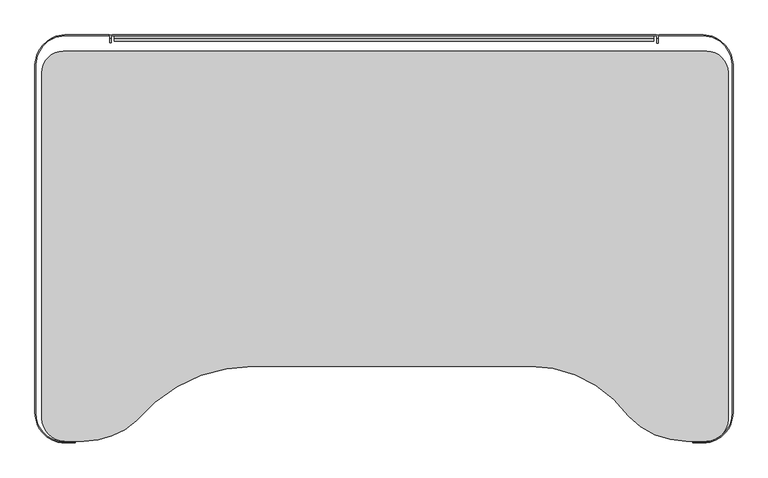
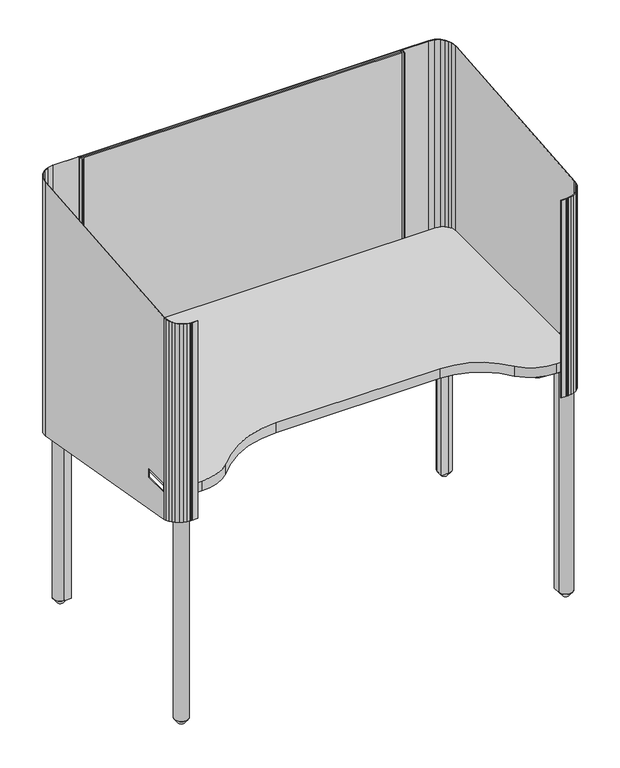
"""IFC4 building model written with IfcOpenShell, lengths in millimetres: furniture geometry."""

from ifc_helpers import new_model, si_unit, point, frame, frame_2d, origin, place, context, project, spatial, polyline, circle_curve, trimmed, segment, composite_curve, outline, extrude, faceted_brep, source, transform, mapped, element, save
from ifc_brep_helpers import plane_surface, revolved_surface, advanced_brep


def furniture_d6dc0621(model_context):
    return source(origin(), model_context, "Body", "SolidModel", [
        advanced_brep(
        [(1027.9696197, 27.1790511, 1268.4192341), (1026.1649204, 26.4496837, 1268.4192341), (1025.5200469, 24.8645493, 1268.4192341), (1024.8751735, 26.4496837, 1268.4192341), (1023.0704742, 27.1790511, 1268.4192341), (116.8701076, 27.1790511, 1268.4192341), (115.0654083, 26.4496837, 1268.4192341), (114.4205349, 24.8645493, 1268.4192341), (113.7756615, 26.4496837, 1268.4192341), (111.9709621, 27.1790511, 1268.4192341), (111.9709621, 25.8943435, 1268.4192341), (112.9205538, 24.6880139, 1268.4192341), (112.9205538, 21.4097865, 1268.4192341), (115.920516, 21.4097865, 1268.4192341), (115.920516, 24.6880139, 1268.4192341), (117.1615523, 25.9290502, 1268.4192341), (1022.7790295, 25.9290502, 1268.4192341), (1024.0200658, 24.6880139, 1268.4192341), (1024.0200658, 21.4097865, 1268.4192341), (1027.020028, 21.4097865, 1268.4192341), (1027.020028, 24.6880139, 1268.4192341), (1028.2610643, 25.9290502, 1268.4192341), (1101.3700434, 25.9290502, 1268.4192341), (1116.7069775, 23.2991213, 1268.4192341), (1120.3598345, 21.4097865, 1268.4192341), (1122.963885, 21.4097865, 1268.4192341), (1116.6925911, 24.5975136, 1268.4192341), (1101.3700434, 27.1790511, 1268.4192341), (1027.9696197, 27.1790511, 500.0527047), (1101.3700434, 27.1790511, 500.0527047), (1116.6925911, 24.5975136, 500.0527047), (1125.612093, 20.0636904, 500.0527047), (1122.9623889, 20.0636904, 500.0527047), (1116.7069775, 23.2991213, 500.0527047), (1101.3700434, 25.9290502, 500.0527047), (1028.2610643, 25.9290502, 500.0527047), (1027.020028, 24.6880139, 500.0527047), (1027.020028, 20.0636904, 500.0527047), (1024.0200658, 20.0636904, 500.0527047), (1024.0200658, 24.6880139, 500.0527047), (1022.7790295, 25.9290502, 500.0527047), (117.1615523, 25.9290502, 500.0527047), (115.920516, 24.6880139, 500.0527047), (115.920516, 20.0636904, 500.0527047), (112.9205538, 20.0636904, 500.0527047), (112.9205538, 24.6880139, 500.0527047), (111.9709621, 25.8943435, 500.0527047), (111.9709621, 27.1790511, 500.0527047), (113.7756615, 26.4496837, 500.0527047), (114.4205349, 24.8645493, 500.0527047), (115.0654083, 26.4496837, 500.0527047), (116.8701076, 27.1790511, 500.0527047), (1023.0704742, 27.1790511, 500.0527047), (1024.8751735, 26.4496837, 500.0527047), (1025.5200469, 24.8645493, 500.0527047), (1026.1649204, 26.4496837, 500.0527047), (1130.3752645, 17.6425488, 1268.0892112), (1130.3752645, 17.6425488, 500.4796175), (1139.1848817, 9.1458314, 1267.3448697), (1139.1848817, 9.1458314, 501.9778186), (1144.819213, 0.6415601, 1266.5998665), (1144.819213, 0.6415601, 503.4773517), (1148.6258459, -6.9446365, 1265.9352898), (1148.6258459, -6.9446365, 504.8150034), (1151.3700438, -22.8209493, 1264.5444706), (1151.3700438, -22.8209493, 507.6144268), (1151.3700438, -603.258937, 1213.6961208), (1151.3700438, -603.258937, 609.9613463), (1151.3700438, -601.6089651, 691.7602951), (1151.3700438, -601.6089651, 716.347772), (1151.3700438, -531.60895, 716.347772), (1151.3700438, -531.60895, 691.7602951), (1150.330963, -612.038234, 1212.9270244), (1150.330963, -612.038234, 611.5093739), (1147.7607052, -621.9111779, 1212.0621208), (1147.7607052, -621.9111779, 613.250241), (1143.7588747, -629.7766135, 1211.3730818), (1143.7588747, -629.7766135, 614.63713), (1138.5620629, -636.6768464, 1210.7685979), (1138.5620629, -636.6768464, 615.8538278), (1130.7436491, -643.7211838, 1210.1514898), (1130.7436491, -643.7211838, 617.095935), (1122.0465203, -648.7835202, 1209.7080119), (1122.0465203, -648.7835202, 617.9885619), (1113.5661717, -651.7486735, 1209.4482543), (1113.5661717, -651.7486735, 618.5113986), (1106.6155558, -652.9830458, 1209.3401191), (1106.6155558, -652.9830458, 618.7290519), (1103.8889258, -653.1954602, 1209.3215109), (1103.8889258, -653.1954602, 618.7665063), (1101.3700434, -653.2589737, 1209.3159469), (1101.3700434, -653.2589737, 618.7777054), (1098.5278304, -653.2589737, 1209.3159469), (1098.5278304, -653.2589737, 618.7777054), (1084.0200441, -653.2589737, 1209.3159469), (1084.0200441, -653.2589737, 618.7777054), (1084.0200441, -652.0089774, 1209.4254508), (1084.0200441, -652.0089774, 618.5572972), (1096.7104123, -652.0089774, 1209.4254508), (1096.7104123, -652.0089774, 618.5572972), (1101.3700434, -652.0089774, 1209.4254508), (1101.3700434, -652.0089774, 618.5572972), (1113.5468165, -650.4637229, 1209.5608204), (1113.5468165, -650.4637229, 618.2848271), (1122.0103284, -647.4238648, 1209.8271224), (1122.0103284, -647.4238648, 617.7488179), (1130.6368446, -642.2463465, 1210.2806906), (1130.6368446, -642.2463465, 616.8358813), (1137.6760955, -635.7925253, 1210.8460674), (1137.6760955, -635.7925253, 615.6978981), (1142.759154, -629.0175028, 1211.4395825), (1142.759154, -629.0175028, 614.5032783), (1146.4183276, -621.892647, 1212.0637442), (1146.4183276, -621.892647, 613.2469735), (1149.0891176, -611.8642621, 1212.942265), (1149.0891176, -611.8642621, 611.4786979), (1150.1200435, -603.258937, 1213.6961208), (1150.1200435, -603.258937, 609.9613463), (1150.1200435, -22.8209493, 1264.5444706), (1150.1200435, -22.8209493, 507.6144268), (1150.1200435, -601.6089651, 716.347772), (1150.1200435, -601.6089651, 691.7602951), (1150.1200435, -531.60895, 691.7602951), (1150.1200435, -531.60895, 716.347772), (1147.4042907, -7.212896, 1265.9117894), (1147.4042907, -7.212896, 504.8623048), (1143.7226686, 0.0412969, 1266.5472814), (1143.7226686, 0.0412969, 503.5831943), (1138.3009983, 8.2619475, 1267.2674385), (1138.3009983, 8.2619475, 502.1336712), (1129.8237311, 16.5148594, 1267.9904218), (1129.8237311, 16.5148594, 500.6784596), (112.9205538, 14.4145503, 1267.8064275), (114.4205349, 14.4145503, 1267.8064275), (115.920516, 14.4145503, 1267.8064275), (1024.0200658, 13.3479487, 1267.7129896), (1025.5200469, 13.3479487, 1267.7129896), (1027.020028, 13.3479487, 1267.7129896), (112.9205538, 14.4145503, 501.0488009), (114.4205349, 14.4145503, 501.0488009), (115.920516, 14.4145503, 501.0488009), (1024.0200658, 13.3479487, 501.2368716), (1025.5200469, 13.3479487, 501.2368716), (1027.020028, 13.3479487, 501.2368716)],
        [
            (0, 1),
            (1, 2),
            (2, 3),
            (3, 4),
            (4, 5),
            (5, 6),
            (6, 7),
            (7, 8),
            (8, 9),
            (9, 10),
            (10, 11, circle_curve(frame((111.6795175, 24.6880139, 1268.4192341), z_axis=(0.0, 0.0, -1.0), x_axis=(-1.0, 0.0, 0.0)), 1.2410363)),
            (11, 12),
            (12, 13),
            (13, 14),
            (14, 15, circle_curve(frame((117.1615523, 24.6880139, 1268.4192341), z_axis=(0.0, 0.0, -1.0), x_axis=(1.0, 0.0, 0.0)), 1.2410363)),
            (15, 16),
            (16, 17, circle_curve(frame((1022.7790295, 24.6880139, 1268.4192341), z_axis=(0.0, 0.0, -1.0), x_axis=(-1.0, 0.0, 0.0)), 1.2410363)),
            (17, 18),
            (18, 19),
            (19, 20),
            (20, 21, circle_curve(frame((1028.2610643, 24.6880139, 1268.4192341), z_axis=(0.0, 0.0, -1.0), x_axis=(1.0, 0.0, 0.0)), 1.2410363)),
            (21, 22),
            (22, 23),
            (23, 24),
            (24, 25),
            (25, 26),
            (26, 27),
            (27, 0),
            (28, 29),
            (29, 30),
            (30, 31),
            (31, 32),
            (32, 33),
            (33, 34),
            (34, 35),
            (35, 36, circle_curve(frame((1028.2610643, 24.6880139, 500.0527047), z_axis=(0.0, 0.0, 1.0), x_axis=(1.0, 0.0, 0.0)), 1.2410363)),
            (36, 37),
            (37, 38),
            (38, 39),
            (39, 40, circle_curve(frame((1022.7790295, 24.6880139, 500.0527047), z_axis=(0.0, 0.0, 1.0), x_axis=(-1.0, 0.0, 0.0)), 1.2410363)),
            (40, 41),
            (41, 42, circle_curve(frame((117.1615523, 24.6880139, 500.0527047), z_axis=(0.0, 0.0, 1.0), x_axis=(1.0, 0.0, 0.0)), 1.2410363)),
            (42, 43),
            (43, 44),
            (44, 45),
            (45, 46, circle_curve(frame((111.6795175, 24.6880139, 500.0527047), z_axis=(0.0, 0.0, 1.0), x_axis=(-1.0, 0.0, 0.0)), 1.2410363)),
            (46, 47),
            (47, 48),
            (48, 49),
            (49, 50),
            (50, 51),
            (51, 52),
            (52, 53),
            (53, 54),
            (54, 55),
            (55, 28),
            (27, 29),
            (28, 0),
            (26, 30),
            (25, 56),
            (56, 57),
            (57, 31),
            (56, 58),
            (58, 59),
            (59, 57),
            (58, 60),
            (60, 61),
            (61, 59),
            (60, 62),
            (62, 63),
            (63, 61),
            (62, 64),
            (64, 65),
            (65, 63),
            (64, 66),
            (66, 67),
            (67, 65),
            (68, 69),
            (69, 70),
            (70, 71),
            (71, 68),
            (66, 72),
            (72, 73),
            (73, 67),
            (72, 74),
            (74, 75),
            (75, 73),
            (74, 76),
            (76, 77),
            (77, 75),
            (76, 78),
            (78, 79),
            (79, 77),
            (78, 80),
            (80, 81),
            (81, 79),
            (80, 82),
            (82, 83),
            (83, 81),
            (82, 84),
            (84, 85),
            (85, 83),
            (84, 86),
            (86, 87),
            (87, 85),
            (86, 88),
            (88, 89),
            (89, 87),
            (88, 90),
            (90, 91),
            (91, 89),
            (90, 92),
            (92, 93),
            (93, 91),
            (92, 94),
            (94, 95),
            (95, 93),
            (94, 96),
            (96, 97),
            (97, 95),
            (96, 98),
            (98, 99),
            (99, 97),
            (98, 100),
            (100, 101),
            (101, 99),
            (100, 102),
            (102, 103),
            (103, 101),
            (102, 104),
            (104, 105),
            (105, 103),
            (104, 106),
            (106, 107),
            (107, 105),
            (106, 108),
            (108, 109),
            (109, 107),
            (108, 110),
            (110, 111),
            (111, 109),
            (110, 112),
            (112, 113),
            (113, 111),
            (112, 114),
            (114, 115),
            (115, 113),
            (114, 116),
            (116, 117),
            (117, 115),
            (116, 118),
            (118, 119),
            (119, 117),
            (120, 121),
            (121, 122),
            (122, 123),
            (123, 120),
            (118, 124),
            (124, 125),
            (125, 119),
            (124, 126),
            (126, 127),
            (127, 125),
            (126, 128),
            (128, 129),
            (129, 127),
            (128, 130),
            (130, 131),
            (131, 129),
            (23, 33),
            (32, 131),
            (130, 24),
            (22, 34),
            (21, 35),
            (12, 132),
            (132, 133),
            (133, 134),
            (134, 13),
            (18, 135),
            (135, 136),
            (136, 137),
            (137, 19),
            (120, 69),
            (68, 121),
            (122, 71),
            (70, 123),
            (55, 1),
            (54, 2),
            (53, 3),
            (52, 4),
            (51, 5),
            (50, 6),
            (49, 7),
            (48, 8),
            (47, 9),
            (46, 10),
            (45, 11),
            (44, 138),
            (138, 132),
            (138, 139),
            (139, 133),
            (139, 140),
            (140, 134),
            (42, 14),
            (140, 43),
            (41, 15),
            (40, 16),
            (39, 17),
            (38, 141),
            (141, 135),
            (141, 142),
            (142, 136),
            (142, 143),
            (143, 137),
            (36, 20),
            (143, 37),
        ],
        [
            plane_surface(frame((1026.1649204, 26.4496837, 1268.4192341), z_axis=(0.0, 0.0, 1.0), x_axis=(-0.9271443140231491, -0.37470444482891363, 0.0))),
            plane_surface(frame((1026.1649204, 26.4496837, 500.0527047), z_axis=(0.0, 0.0, -1.0), x_axis=(0.9271443140231491, 0.37470444482891363, 0.0))),
            plane_surface(frame((1101.3700434, 27.1790511, 1268.4192341), z_axis=(0.0, 1.0, 0.0), x_axis=(0.0, 0.0, -1.0))),
            plane_surface(frame((1116.6925911, 24.5975136, 1268.4192341), z_axis=(0.16613820618309183, 0.9861024776595304, 0.0), x_axis=(0.0, 0.0, -1.0))),
            plane_surface(frame((1130.3752645, 17.6425488, 1268.4192341), z_axis=(0.4531262189190318, 0.8914463695187399, 0.0), x_axis=(0.0, 0.0, -1.0))),
            plane_surface(frame((1139.1848817, 9.1458314, 1268.4192341), z_axis=(0.6942087845510124, 0.719773689052473, 0.0), x_axis=(0.0, 0.0, -1.0))),
            plane_surface(frame((1144.819213, 0.6415601, 1268.4192341), z_axis=(0.8336386369511462, 0.5523102597111839, 0.0), x_axis=(0.0, 0.0, -1.0))),
            plane_surface(frame((1148.6258459, -6.9446365, 1268.4192341), z_axis=(0.8937884379641722, 0.4484888272427367, 0.0), x_axis=(0.0, 0.0, -1.0))),
            plane_surface(frame((1151.3700438, -22.8209493, 1268.4192341), z_axis=(0.9853882941368135, 0.1703229572845091, 0.0), x_axis=(0.0, 0.0, -1.0))),
            plane_surface(frame((1151.3700438, -603.258937, 1268.4192341), z_axis=(1.0, 0.0, 0.0), x_axis=(0.0, 0.0, -1.0))),
            plane_surface(frame((1150.330963, -612.038234, 1268.4192341), z_axis=(0.9930686871803925, -0.11753545227637373, 0.0), x_axis=(0.0, 0.0, -1.0))),
            plane_surface(frame((1147.7607052, -621.9111779, 1268.4192341), z_axis=(0.967743865160188, -0.25193612572400165, 0.0), x_axis=(0.0, 0.0, -1.0))),
            plane_surface(frame((1143.7588747, -629.7766135, 1268.4192341), z_axis=(0.8912726425416223, -0.4534678342031258, 0.0), x_axis=(0.0, 0.0, -1.0))),
            plane_surface(frame((1138.5620629, -636.6768464, 1268.4192341), z_axis=(0.7987960970305228, -0.601601857850193, 0.0), x_axis=(0.0, 0.0, -1.0))),
            plane_surface(frame((1130.7436491, -643.7211838, 1268.4192341), z_axis=(0.6693722831260855, -0.7429271475606284, 0.0), x_axis=(0.0, 0.0, -1.0))),
            plane_surface(frame((1122.0465203, -648.7835202, 1268.4192341), z_axis=(0.5030560594771533, -0.8642537827648304, 0.0), x_axis=(0.0, 0.0, -1.0))),
            plane_surface(frame((1113.5661717, -651.7486735, 1268.4192341), z_axis=(0.3300560221611308, -0.9439613457314718, 0.0), x_axis=(0.0, 0.0, -1.0))),
            plane_surface(frame((1106.6155558, -652.9830458, 1268.4192341), z_axis=(0.1748558212344393, -0.9845940492306613, 0.0), x_axis=(0.0, 0.0, -1.0))),
            plane_surface(frame((1103.8889258, -653.1954602, 1268.4192341), z_axis=(0.0776682979516197, -0.9969792552973701, 0.0), x_axis=(0.0, 0.0, -1.0))),
            plane_surface(frame((1101.3700434, -653.2589737, 1268.4192341), z_axis=(0.0252069662853388, -0.9996822539440668, 0.0), x_axis=(0.0, 0.0, -1.0))),
            plane_surface(frame((1098.5278304, -653.2589737, 1268.4192341), z_axis=(0.0, -1.0, 0.0), x_axis=(0.0, 0.0, -1.0))),
            plane_surface(frame((1084.0200441, -653.2589737, 1268.4192341), z_axis=(0.0, -1.0, 0.0), x_axis=(0.0, 0.0, -1.0))),
            plane_surface(frame((1084.0200441, -652.0089774, 1268.4192341), z_axis=(-1.0, 0.0, 0.0), x_axis=(0.0, 0.0, -1.0))),
            plane_surface(frame((1096.7104123, -652.0089774, 1268.4192341), z_axis=(0.0, 1.0, 0.0), x_axis=(0.0, 0.0, -1.0))),
            plane_surface(frame((1101.3700434, -652.0089774, 1268.4192341), z_axis=(0.0, 1.0, 0.0), x_axis=(0.0, 0.0, -1.0))),
            plane_surface(frame((1113.5468165, -650.4637229, 1268.4192341), z_axis=(-0.1258921681321806, 0.9920439314884089, 0.0), x_axis=(0.0, 0.0, -1.0))),
            plane_surface(frame((1122.0103284, -647.4238648, 1268.4192341), z_axis=(-0.338029678240151, 0.9411354507343032, 0.0), x_axis=(0.0, 0.0, -1.0))),
            plane_surface(frame((1130.6368446, -642.2463465, 1268.4192341), z_axis=(-0.5146133060470578, 0.8574223843820018, 0.0), x_axis=(0.0, 0.0, -1.0))),
            plane_surface(frame((1137.6760955, -635.7925253, 1268.4192341), z_axis=(-0.6757914588590301, 0.737092873478766, 0.0), x_axis=(0.0, 0.0, -1.0))),
            plane_surface(frame((1142.759154, -629.0175028, 1268.4192341), z_axis=(-0.7998984541861871, 0.6001353705544678, 0.0), x_axis=(0.0, 0.0, -1.0))),
            plane_surface(frame((1146.4183276, -621.892647, 1268.4192341), z_axis=(-0.8895434807974767, 0.4568505179713704, 0.0), x_axis=(0.0, 0.0, -1.0))),
            plane_surface(frame((1149.0891176, -611.8642621, 1268.4192341), z_axis=(-0.9663175597510141, 0.2573526252379126, 0.0), x_axis=(0.0, 0.0, -1.0))),
            plane_surface(frame((1150.1200435, -603.258937, 1268.4192341), z_axis=(-0.9929002020340609, 0.11895036275993856, 0.0), x_axis=(0.0, 0.0, -1.0))),
            plane_surface(frame((1150.1200435, -22.8209493, 1268.4192341), z_axis=(-1.0, 0.0, 0.0), x_axis=(0.0, 0.0, -1.0))),
            plane_surface(frame((1147.4042907, -7.212896, 1268.4192341), z_axis=(-0.985197806675911, -0.17142135724866547, 0.0), x_axis=(0.0, 0.0, -1.0))),
            plane_surface(frame((1143.7226686, 0.0412969, 1268.4192341), z_axis=(-0.8917300642898837, -0.4525676661467985, 0.0), x_axis=(0.0, 0.0, -1.0))),
            plane_surface(frame((1138.3009983, 8.2619475, 1268.4192341), z_axis=(-0.8347941946052787, -0.5505621242451428, 0.0), x_axis=(0.0, 0.0, -1.0))),
            plane_surface(frame((1129.8237311, 16.5148594, 1268.4192341), z_axis=(-0.6975616103806688, -0.7165248074722382, 0.0), x_axis=(0.0, 0.0, -1.0))),
            plane_surface(frame((1116.7069775, 23.2991213, 1268.4192341), z_axis=(-0.4594087115598091, -0.8882249916225934, 0.0), x_axis=(0.0, 0.0, -1.0))),
            plane_surface(frame((1101.3700434, 25.9290502, 1268.4192341), z_axis=(-0.16901002898019915, -0.9856143313203762, 0.0), x_axis=(0.0, 0.0, -1.0))),
            plane_surface(frame((1028.2610643, 25.9290502, 1268.4192341), z_axis=(0.0, -1.0, 0.0), x_axis=(0.0, 0.0, -1.0))),
            plane_surface(frame((1192.5970153, -706.0044621, 1204.695262), z_axis=(0.0, -0.08726918723485429, 0.9961847664762636), x_axis=(-1.0, 0.0, 0.0))),
            plane_surface(frame((1292.15082, -601.6089651, 716.347772), z_axis=(0.0, 1.0, 0.0), x_axis=(-1.0, 0.0, 0.0))),
            plane_surface(frame((1292.15082, -531.60895, 691.7602951), z_axis=(0.0, -1.0, 0.0), x_axis=(-1.0, 0.0, 0.0))),
            plane_surface(frame((1292.15082, -531.60895, 716.347772), z_axis=(0.0, 0.0, -1.0), x_axis=(-1.0, 0.0, 0.0))),
            plane_surface(frame((1292.15082, -601.6089651, 691.7602951), z_axis=(0.0, 0.0, 1.0), x_axis=(-1.0, 0.0, 0.0))),
            plane_surface(frame((1027.9696197, 27.1790511, 1268.4192341), z_axis=(-0.37470444482891363, 0.9271443140231491, 0.0), x_axis=(0.0, 0.0, -1.0))),
            plane_surface(frame((1026.1649204, 26.4496837, 1268.4192341), z_axis=(-0.9262805160122993, 0.3768347192815288, 0.0), x_axis=(0.0, 0.0, -1.0))),
            plane_surface(frame((1025.5200469, 24.8645493, 1268.4192341), z_axis=(0.9262805160122993, 0.3768347192815288, 0.0), x_axis=(0.0, 0.0, -1.0))),
            plane_surface(frame((1024.8751735, 26.4496837, 1268.4192341), z_axis=(0.37470444482891735, 0.9271443140231477, 0.0), x_axis=(0.0, 0.0, -1.0))),
            plane_surface(frame((1023.0704742, 27.1790511, 1268.4192341), z_axis=(0.0, 1.0, 0.0), x_axis=(0.0, 0.0, -1.0))),
            plane_surface(frame((116.8701076, 27.1790511, 1268.4192341), z_axis=(-0.374704444828898, 0.9271443140231554, 0.0), x_axis=(0.0, 0.0, -1.0))),
            plane_surface(frame((115.0654083, 26.4496837, 1268.4192341), z_axis=(-0.9262805160122993, 0.3768347192815288, 0.0), x_axis=(0.0, 0.0, -1.0))),
            plane_surface(frame((114.4205349, 24.8645493, 1268.4192341), z_axis=(0.9262805160122993, 0.3768347192815288, 0.0), x_axis=(0.0, 0.0, -1.0))),
            plane_surface(frame((113.7756615, 26.4496837, 1268.4192341), z_axis=(0.37470444482891735, 0.9271443140231477, 0.0), x_axis=(0.0, 0.0, -1.0))),
            plane_surface(frame((111.9709621, 27.1790511, 1268.4192341), z_axis=(-1.0, 0.0, 0.0), x_axis=(0.0, 0.0, -1.0))),
            revolved_surface(polyline([(110.4384812, 24.6880139, 500.0527047), (110.4384812, 24.6880139, 1268.4192341)]), (111.6795175, 24.6880139, 500.0527047), (0.0, 0.0, -1.0)),
            plane_surface(frame((112.9205538, 24.6880139, 1268.4192341), z_axis=(-1.0, 0.0, 0.0), x_axis=(0.0, 0.0, -1.0))),
            plane_surface(frame((112.9205538, 14.4145503, 1268.4192341), z_axis=(0.0, -1.0, 0.0), x_axis=(0.0, 0.0, -1.0))),
            plane_surface(frame((114.4205349, 14.4145503, 1268.4192341), z_axis=(0.0, -1.0, 0.0), x_axis=(0.0, 0.0, -1.0))),
            plane_surface(frame((115.920516, 14.4145503, 1268.4192341), z_axis=(1.0, 0.0, 0.0), x_axis=(0.0, 0.0, -1.0))),
            revolved_surface(polyline([(118.4025886, 24.6880139, 500.0527047), (118.4025886, 24.6880139, 1268.4192341)]), (117.1615523, 24.6880139, 500.0527047), (0.0, 0.0, -1.0)),
            plane_surface(frame((117.1615523, 25.9290502, 1268.4192341), z_axis=(0.0, -1.0, 0.0), x_axis=(0.0, 0.0, -1.0))),
            revolved_surface(polyline([(1021.5379932, 24.6880139, 500.0527047), (1021.5379932, 24.6880139, 1268.4192341)]), (1022.7790295, 24.6880139, 500.0527047), (0.0, 0.0, -1.0)),
            plane_surface(frame((1024.0200658, 24.6880139, 1268.4192341), z_axis=(-1.0, 0.0, 0.0), x_axis=(0.0, 0.0, -1.0))),
            plane_surface(frame((1024.0200658, 13.3479487, 1268.4192341), z_axis=(0.0, -1.0, 0.0), x_axis=(0.0, 0.0, -1.0))),
            plane_surface(frame((1025.5200469, 13.3479487, 1268.4192341), z_axis=(0.0, -1.0, 0.0), x_axis=(0.0, 0.0, -1.0))),
            plane_surface(frame((1027.020028, 13.3479487, 1268.4192341), z_axis=(1.0, 0.0, 0.0), x_axis=(0.0, 0.0, -1.0))),
            revolved_surface(polyline([(1029.5021006, 24.6880139, 500.0527047), (1029.5021006, 24.6880139, 1268.4192341)]), (1028.2610643, 24.6880139, 500.0527047), (0.0, 0.0, -1.0)),
            plane_surface(frame((1292.15082, 38.0700029, 496.8777047), z_axis=(0.0, -0.17364824617803784, -0.984807740931849), x_axis=(-1.0, 0.0, 0.0))),
        ],
        [
            (0, [[1, 2, 3, 4, 5, 6, 7, 8, 9, 10, 11, 12, 13, 14, 15, 16, 17, 18, 19, 20, 21, 22, 23, 24, 25, 26, 27, 28]]),
            (1, [[29, 30, 31, 32, 33, 34, 35, 36, 37, 38, 39, 40, 41, 42, 43, 44, 45, 46, 47, 48, 49, 50, 51, 52, 53, 54, 55, 56]]),
            (2, [[-28, 57, -29, 58]]),
            (3, [[-27, 59, -30, -57]]),
            (4, [[-59, -26, 60, 61, 62, -31]]),
            (5, [[63, 64, 65, -61]]),
            (6, [[66, 67, 68, -64]]),
            (7, [[69, 70, 71, -67]]),
            (8, [[72, 73, 74, -70]]),
            (9, [[75, 76, 77, -73], [78, 79, 80, 81]]),
            (10, [[82, 83, 84, -76]]),
            (11, [[85, 86, 87, -83]]),
            (12, [[88, 89, 90, -86]]),
            (13, [[91, 92, 93, -89]]),
            (14, [[94, 95, 96, -92]]),
            (15, [[97, 98, 99, -95]]),
            (16, [[100, 101, 102, -98]]),
            (17, [[103, 104, 105, -101]]),
            (18, [[106, 107, 108, -104]]),
            (19, [[109, 110, 111, -107]]),
            (20, [[112, 113, 114, -110]]),
            (21, [[115, 116, 117, -113]]),
            (22, [[118, 119, 120, -116]]),
            (23, [[121, 122, 123, -119]]),
            (24, [[124, 125, 126, -122]]),
            (25, [[127, 128, 129, -125]]),
            (26, [[130, 131, 132, -128]]),
            (27, [[133, 134, 135, -131]]),
            (28, [[136, 137, 138, -134]]),
            (29, [[139, 140, 141, -137]]),
            (30, [[142, 143, 144, -140]]),
            (31, [[145, 146, 147, -143]]),
            (32, [[148, 149, 150, -146]]),
            (33, [[151, 152, 153, -149], [154, 155, 156, 157]]),
            (34, [[158, 159, 160, -152]]),
            (35, [[161, 162, 163, -159]]),
            (36, [[164, 165, 166, -162]]),
            (37, [[167, 168, 169, -165]]),
            (38, [[170, -33, 171, -168, 172, -24]]),
            (39, [[-23, 173, -34, -170]]),
            (40, [[-22, 174, -35, -173]]),
            (41, [[-13, 175, 176, 177, 178]]),
            (41, [[-19, 179, 180, 181, 182]]),
            (41, [[-25, -172, -167, -164, -161, -158, -151, -148, -145, -142, -139, -136, -133, -130, -127, -124, -121, -118, -115, -112, -109, -106, -103, -100, -97, -94, -91, -88, -85, -82, -75, -72, -69, -66, -63, -60]]),
            (42, [[183, -78, 184, -154]]),
            (43, [[185, -80, 186, -156]]),
            (44, [[-183, -157, -186, -79]]),
            (45, [[-184, -81, -185, -155]]),
            (46, [[-1, -58, -56, 187]]),
            (47, [[-2, -187, -55, 188]]),
            (48, [[-3, -188, -54, 189]]),
            (49, [[-4, -189, -53, 190]]),
            (50, [[-5, -190, -52, 191]]),
            (51, [[-6, -191, -51, 192]]),
            (52, [[-7, -192, -50, 193]]),
            (53, [[-8, -193, -49, 194]]),
            (54, [[-9, -194, -48, 195]]),
            (55, [[-10, -195, -47, 196]]),
            (56, [[-11, -196, -46, 197]]),
            (57, [[-197, -45, 198, 199, -175, -12]]),
            (58, [[-176, -199, 200, 201]]),
            (59, [[-177, -201, 202, 203]]),
            (60, [[204, -14, -178, -203, 205, -43]]),
            (61, [[-15, -204, -42, 206]]),
            (62, [[-16, -206, -41, 207]]),
            (63, [[-17, -207, -40, 208]]),
            (64, [[-208, -39, 209, 210, -179, -18]]),
            (65, [[-180, -210, 211, 212]]),
            (66, [[-181, -212, 213, 214]]),
            (67, [[215, -20, -182, -214, 216, -37]]),
            (68, [[-21, -215, -36, -174]]),
            (69, [[-32, -62, -65, -68, -71, -74, -77, -84, -87, -90, -93, -96, -99, -102, -105, -108, -111, -114, -117, -120, -123, -126, -129, -132, -135, -138, -141, -144, -147, -150, -153, -160, -163, -166, -169, -171]]),
            (69, [[-38, -216, -213, -211, -209]]),
            (69, [[-44, -205, -202, -200, -198]]),
        ],
    ),
        faceted_brep([(111.8200496, 27.1790511, 1268.4192341), (38.4600471, 27.1790511, 1268.4192341), (23.1374994, 24.5975136, 1268.4192341), (16.8662055, 21.4097865, 1268.4192341), (19.470256, 21.4097865, 1268.4192341), (23.123113, 23.2991213, 1268.4192341), (38.4600471, 25.9290502, 1268.4192341), (111.8200496, 25.9290502, 1268.4192341), (111.8200496, 27.1790511, 500.0527047), (111.8200496, 25.9290502, 500.0527047), (38.4600471, 25.9290502, 500.0527047), (23.123113, 23.2991213, 500.0527047), (16.8677016, 20.0636904, 500.0527047), (14.2179975, 20.0636904, 500.0527047), (23.1374994, 24.5975136, 500.0527047), (38.4600471, 27.1790511, 500.0527047), (9.454826, 17.6425488, 500.4796175), (9.454826, 17.6425488, 1268.0892112), (0.6452087, 9.1458314, 1267.3448697), (0.6452087, 9.1458314, 501.9778186), (-4.9891225, 0.6415601, 1266.5998665), (-4.9891225, 0.6415601, 503.4773517), (-8.7957554, -6.9446365, 1265.9352898), (-8.7957554, -6.9446365, 504.8150034), (-11.5399533, -22.8209493, 1264.5444706), (-11.5399533, -22.8209493, 507.6144268), (-11.5399533, -603.258937, 1213.6961208), (-11.5399533, -603.258937, 609.9613463), (-11.5399533, -601.6089651, 716.347772), (-11.5399533, -601.6089651, 691.7602951), (-11.5399533, -531.60895, 691.7602951), (-11.5399533, -531.60895, 716.347772), (-10.5008725, -612.038234, 1212.9270244), (-10.5008725, -612.038234, 611.5093739), (-7.9306147, -621.9111779, 1212.0621208), (-7.9306147, -621.9111779, 613.250241), (-3.9287842, -629.7766135, 1211.3730818), (-3.9287842, -629.7766135, 614.63713), (1.2680275, -636.6768464, 1210.7685979), (1.2680275, -636.6768464, 615.8538278), (9.0864414, -643.7211838, 1210.1514898), (9.0864414, -643.7211838, 617.095935), (17.7835702, -648.7835202, 1209.7080119), (17.7835702, -648.7835202, 617.9885619), (26.2639188, -651.7486735, 1209.4482543), (26.2639188, -651.7486735, 618.5113986), (33.2145347, -652.9830458, 1209.3401191), (33.2145347, -652.9830458, 618.7290519), (35.9411646, -653.1954602, 1209.3215109), (35.9411646, -653.1954602, 618.7665063), (38.4600471, -653.2589737, 1209.3159469), (38.4600471, -653.2589737, 618.7777054), (41.3022601, -653.2589737, 1209.3159469), (41.3022601, -653.2589737, 618.7777054), (55.8100463, -653.2589737, 1209.3159469), (55.8100463, -653.2589737, 618.7777054), (55.8100463, -652.0089774, 1209.4254508), (55.8100463, -652.0089774, 618.5572972), (43.1196781, -652.0089774, 1209.4254508), (43.1196781, -652.0089774, 618.5572972), (38.4600471, -652.0089774, 1209.4254508), (38.4600471, -652.0089774, 618.5572972), (26.283274, -650.4637229, 1209.5608204), (26.283274, -650.4637229, 618.2848271), (17.8197621, -647.4238648, 1209.8271224), (17.8197621, -647.4238648, 617.7488179), (9.1932458, -642.2463465, 1210.2806906), (9.1932458, -642.2463465, 616.8358813), (2.153995, -635.7925253, 1210.8460674), (2.153995, -635.7925253, 615.6978981), (-2.9290635, -629.0175028, 1211.4395825), (-2.9290635, -629.0175028, 614.5032783), (-6.5882372, -621.892647, 1212.0637442), (-6.5882372, -621.892647, 613.2469735), (-9.2590271, -611.8642621, 1212.942265), (-9.2590271, -611.8642621, 611.4786979), (-10.289953, -603.258937, 1213.6961208), (-10.289953, -603.258937, 609.9613463), (-10.289953, -22.8209493, 1264.5444706), (-10.289953, -22.8209493, 507.6144268), (-10.289953, -601.6089651, 691.7602951), (-10.289953, -601.6089651, 716.347772), (-10.289953, -531.60895, 716.347772), (-10.289953, -531.60895, 691.7602951), (-7.5742002, -7.212896, 1265.9117894), (-7.5742002, -7.212896, 504.8623048), (-3.8925781, 0.0412969, 1266.5472814), (-3.8925781, 0.0412969, 503.5831943), (1.5290922, 8.2619475, 1267.2674385), (1.5290922, 8.2619475, 502.1336712), (10.0063594, 16.5148594, 1267.9904218), (10.0063594, 16.5148594, 500.6784596)], [[[0, 1, 2, 3, 4, 5, 6, 7]], [[8, 9, 10, 11, 12, 13, 14, 15]], [[1, 0, 8, 15]], [[2, 1, 15, 14]], [[2, 14, 13, 16, 17, 3]], [[18, 17, 16, 19]], [[20, 18, 19, 21]], [[22, 20, 21, 23]], [[24, 22, 23, 25]], [[26, 24, 25, 27], [28, 29, 30, 31]], [[32, 26, 27, 33]], [[34, 32, 33, 35]], [[36, 34, 35, 37]], [[38, 36, 37, 39]], [[40, 38, 39, 41]], [[42, 40, 41, 43]], [[44, 42, 43, 45]], [[46, 44, 45, 47]], [[48, 46, 47, 49]], [[50, 48, 49, 51]], [[52, 50, 51, 53]], [[54, 52, 53, 55]], [[56, 54, 55, 57]], [[58, 56, 57, 59]], [[60, 58, 59, 61]], [[62, 60, 61, 63]], [[64, 62, 63, 65]], [[66, 64, 65, 67]], [[68, 66, 67, 69]], [[70, 68, 69, 71]], [[72, 70, 71, 73]], [[74, 72, 73, 75]], [[76, 74, 75, 77]], [[78, 76, 77, 79], [80, 81, 82, 83]], [[84, 78, 79, 85]], [[86, 84, 85, 87]], [[88, 86, 87, 89]], [[90, 88, 89, 91]], [[11, 5, 4, 90, 91, 12]], [[6, 5, 11, 10]], [[7, 6, 10, 9]], [[0, 7, 9, 8]], [[4, 3, 17, 18, 20, 22, 24, 26, 32, 34, 36, 38, 40, 42, 44, 46, 48, 50, 52, 54, 56, 58, 60, 62, 64, 66, 68, 70, 72, 74, 76, 78, 84, 86, 88, 90]], [[28, 81, 80, 29]], [[30, 83, 82, 31]], [[81, 28, 31, 82]], [[29, 80, 83, 30]], [[13, 12, 91, 89, 87, 85, 79, 77, 75, 73, 71, 69, 67, 65, 63, 61, 59, 57, 55, 53, 51, 49, 47, 45, 43, 41, 39, 37, 35, 33, 27, 25, 23, 21, 19, 16]]]),
        extrude(outline(polyline([(26.421051, 500.0527047), (16.3810502, 500.0527047), (16.3810502, 1267.9786996), (21.4097865, 1268.4192341), (26.421051, 1268.4192341), (26.421051, 500.0527047)])), frame((120.3030711, 0.0, 0.0), z_axis=(1.0, 0.0, 0.0), x_axis=(0.0, 1.0, 0.0)), (0.0, 0.0, 1.0), 899.2935729),
        extrude(outline(composite_curve([segment(trimmed(circle_curve(frame_2d((41.141131, -549.1675567)), 27.5528892), [point((13.6930891, -546.7661617))], [point((21.6582935, -529.6847247))], False, "CARTESIAN"), True, "CONTINUOUS"), segment(polyline([(21.6582935, -529.6847247), (35.2396556, -516.1033587)]), True, "CONTINUOUS"), segment(trimmed(circle_curve(frame_2d((57.6902991, -538.5539958)), 31.75), [point((35.2396556, -516.1033587))], [point((54.9231042, -506.9248142))], False, "CARTESIAN"), True, "CONTINUOUS"), segment(polyline([(54.9231042, -506.9248142), (127.8550718, -500.5440936), (146.0761063, -500.5440936)]), True, "CONTINUOUS"), segment(trimmed(circle_curve(frame_2d((146.0761063, -503.9790179)), 3.4349243), [point((146.0761063, -500.5440936))], [point((149.5110306, -503.9790179))], False, "CARTESIAN"), True, "CONTINUOUS"), segment(polyline([(149.5110306, -503.9790179), (149.5110306, -522.20006), (143.0636597, -595.8938505)]), True, "CONTINUOUS"), segment(trimmed(circle_curve(frame_2d((113.5275933, -593.3097796)), 29.6488894), [point((143.0636597, -595.8938505))], [point((134.4925225, -614.2747119))], False, "CARTESIAN"), True, "CONTINUOUS"), segment(polyline([(134.4925225, -614.2747119), (118.8650503, -629.9021819)]), True, "CONTINUOUS"), segment(trimmed(circle_curve(frame_2d((103.5181369, -614.5552663)), 21.7038146), [point((118.8650503, -629.9021819))], [point((105.409751, -636.1764912))], False, "CARTESIAN"), True, "CONTINUOUS"), segment(polyline([(105.409751, -636.1764912), (27.7194324, -642.9735205)]), True, "CONTINUOUS"), segment(trimmed(circle_curve(frame_2d((26.0591137, -623.9960116)), 19.05), [point((27.7194324, -642.9735205))], [point((7.0816049, -622.335693))], False, "CARTESIAN"), True, "CONTINUOUS"), segment(polyline([(7.0816049, -622.335693), (13.6930891, -546.7661617)]), True, "CONTINUOUS")], self_intersect=False)), frame((0.0, 0.0, 686.384194), z_axis=(0.0, 0.0, 1.0), x_axis=(1.0, 0.0, 0.0)), (0.0, 0.0, 1.0), 7.924807),
        extrude(outline(composite_curve([segment(polyline([(1129.0583395, -546.95192), (1135.6698238, -622.5214513)]), True, "CONTINUOUS"), segment(trimmed(circle_curve(frame_2d((1116.6923149, -624.1817699)), 19.05), [point((1135.6698238, -622.5214513))], [point((1115.0319963, -643.1592787))], False, "CARTESIAN"), True, "CONTINUOUS"), segment(polyline([(1115.0319963, -643.1592787), (1037.3416777, -636.3622495)]), True, "CONTINUOUS"), segment(trimmed(circle_curve(frame_2d((1039.2332917, -614.7410246)), 21.7038146), [point((1037.3416777, -636.3622495))], [point((1023.8863783, -630.0879402))], False, "CARTESIAN"), True, "CONTINUOUS"), segment(polyline([(1023.8863783, -630.0879402), (1008.2589061, -614.4604702)]), True, "CONTINUOUS"), segment(trimmed(circle_curve(frame_2d((1029.2238354, -593.4955379)), 29.6488894), [point((1008.2589061, -614.4604702))], [point((999.6877689, -596.0796087))], False, "CARTESIAN"), True, "CONTINUOUS"), segment(polyline([(999.6877689, -596.0796087), (993.2403981, -522.3858182), (993.2403981, -504.1647762)]), True, "CONTINUOUS"), segment(trimmed(circle_curve(frame_2d((996.6753224, -504.1647762)), 3.4349243), [point((993.2403981, -504.1647762))], [point((996.6753224, -500.7298519))], False, "CARTESIAN"), True, "CONTINUOUS"), segment(polyline([(996.6753224, -500.7298519), (1014.8963569, -500.7298519), (1087.8283245, -507.1105724)]), True, "CONTINUOUS"), segment(trimmed(circle_curve(frame_2d((1085.0611296, -538.7397541)), 31.75), [point((1087.8283245, -507.1105724))], [point((1107.5117731, -516.289117))], False, "CARTESIAN"), True, "CONTINUOUS"), segment(polyline([(1107.5117731, -516.289117), (1121.0931352, -529.870483)]), True, "CONTINUOUS"), segment(trimmed(circle_curve(frame_2d((1101.6102976, -549.353315)), 27.5528892), [point((1121.0931352, -529.870483))], [point((1129.0583395, -546.95192))], False, "CARTESIAN"), True, "CONTINUOUS")], self_intersect=False)), frame((0.0, 0.0, 686.384194), z_axis=(0.0, 0.0, 1.0), x_axis=(1.0, 0.0, 0.0)), (0.0, 0.0, 1.0), 7.924807),
        extrude(outline(composite_curve([segment(trimmed(circle_curve(frame_2d((1101.6102976, -100.9494776)), 27.5528892), [point((1129.0583395, -103.3508726))], [point((1121.0931352, -120.4323096))], False, "CARTESIAN"), True, "CONTINUOUS"), segment(polyline([(1121.0931352, -120.4323096), (1107.5117731, -134.0136756)]), True, "CONTINUOUS"), segment(trimmed(circle_curve(frame_2d((1085.0611296, -111.5630385)), 31.75), [point((1107.5117731, -134.0136756))], [point((1087.8283245, -143.1922201))], False, "CARTESIAN"), True, "CONTINUOUS"), segment(polyline([(1087.8283245, -143.1922201), (1014.8963569, -149.5729407), (996.6753224, -149.5729407)]), True, "CONTINUOUS"), segment(trimmed(circle_curve(frame_2d((996.6753224, -146.1380164)), 3.4349243), [point((996.6753224, -149.5729407))], [point((993.2403981, -146.1380164))], False, "CARTESIAN"), True, "CONTINUOUS"), segment(polyline([(993.2403981, -146.1380164), (993.2403981, -127.9169743), (999.6877689, -54.2231838)]), True, "CONTINUOUS"), segment(trimmed(circle_curve(frame_2d((1029.2238354, -56.8072547)), 29.6488894), [point((999.6877689, -54.2231838))], [point((1008.2589061, -35.8423224))], False, "CARTESIAN"), True, "CONTINUOUS"), segment(polyline([(1008.2589061, -35.8423224), (1023.8863783, -20.2148524)]), True, "CONTINUOUS"), segment(trimmed(circle_curve(frame_2d((1039.2332917, -35.561768)), 21.7038146), [point((1023.8863783, -20.2148524))], [point((1037.3416777, -13.9405431))], False, "CARTESIAN"), True, "CONTINUOUS"), segment(polyline([(1037.3416777, -13.9405431), (1115.0319963, -7.1435138)]), True, "CONTINUOUS"), segment(trimmed(circle_curve(frame_2d((1116.6923149, -26.1210227)), 19.05), [point((1115.0319963, -7.1435138))], [point((1135.6698238, -27.7813413))], False, "CARTESIAN"), True, "CONTINUOUS"), segment(polyline([(1135.6698238, -27.7813413), (1129.0583395, -103.3508726)]), True, "CONTINUOUS")], self_intersect=False)), frame((0.0, 0.0, 686.384194), z_axis=(0.0, 0.0, 1.0), x_axis=(1.0, 0.0, 0.0)), (0.0, 0.0, 1.0), 7.924807),
        extrude(outline(composite_curve([segment(polyline([(12.5024641, -102.5571226), (5.8909799, -26.9875913)]), True, "CONTINUOUS"), segment(trimmed(circle_curve(frame_2d((24.8684887, -25.3272727)), 19.05), [point((5.8909799, -26.9875913))], [point((26.5288074, -6.3497638))], False, "CARTESIAN"), True, "CONTINUOUS"), segment(polyline([(26.5288074, -6.3497638), (104.219126, -13.1467931)]), True, "CONTINUOUS"), segment(trimmed(circle_curve(frame_2d((102.3275119, -34.768018)), 21.7038146), [point((104.219126, -13.1467931))], [point((117.6744253, -19.4211024))], False, "CARTESIAN"), True, "CONTINUOUS"), segment(polyline([(117.6744253, -19.4211024), (133.3018975, -35.0485724)]), True, "CONTINUOUS"), segment(trimmed(circle_curve(frame_2d((112.3369683, -56.0135047)), 29.6488894), [point((133.3018975, -35.0485724))], [point((141.8730347, -53.4294338))], False, "CARTESIAN"), True, "CONTINUOUS"), segment(polyline([(141.8730347, -53.4294338), (148.3204056, -127.1232243), (148.3204056, -145.3442664)]), True, "CONTINUOUS"), segment(trimmed(circle_curve(frame_2d((144.8854813, -145.3442664)), 3.4349243), [point((148.3204056, -145.3442664))], [point((144.8854813, -148.7791907))], False, "CARTESIAN"), True, "CONTINUOUS"), segment(polyline([(144.8854813, -148.7791907), (126.6644468, -148.7791907), (53.7324792, -142.3984701)]), True, "CONTINUOUS"), segment(trimmed(circle_curve(frame_2d((56.4996741, -110.7692885)), 31.75), [point((53.7324792, -142.3984701))], [point((34.0490306, -133.2199256))], False, "CARTESIAN"), True, "CONTINUOUS"), segment(polyline([(34.0490306, -133.2199256), (20.4676685, -119.6385596)]), True, "CONTINUOUS"), segment(trimmed(circle_curve(frame_2d((39.950506, -100.1557276)), 27.5528892), [point((20.4676685, -119.6385596))], [point((12.5024641, -102.5571226))], False, "CARTESIAN"), True, "CONTINUOUS")], self_intersect=False)), frame((0.0, 0.0, 686.384194), z_axis=(0.0, 0.0, 1.0), x_axis=(1.0, 0.0, 0.0)), (0.0, 0.0, 1.0), 7.924807),
        extrude(outline(composite_curve([segment(polyline([(0.0, -611.8859797), (0.0, -35.688583)]), True, "CONTINUOUS"), segment(trimmed(circle_curve(frame_2d((35.688583, -35.688583)), 35.688583), [point((0.0, -35.688583))], [point((35.688583, 0.0))], False, "CARTESIAN"), True, "CONTINUOUS"), segment(polyline([(35.688583, 0.0), (1107.4091984, 0.0)]), True, "CONTINUOUS"), segment(trimmed(circle_curve(frame_2d((1107.4091984, -35.5908016)), 35.5908016), [point((1107.4091984, 0.0))], [point((1143.0, -35.5908016))], False, "CARTESIAN"), True, "CONTINUOUS"), segment(polyline([(1143.0, -35.5908016), (1143.0, -613.8720516)]), True, "CONTINUOUS"), segment(trimmed(circle_curve(frame_2d((1106.8860719, -613.8720516)), 36.1139281), [point((1143.0, -613.8720516))], [point((1106.8860719, -649.9859797))], False, "CARTESIAN"), True, "CONTINUOUS"), segment(polyline([(1106.8860719, -649.9859797), (1073.0110308, -649.9859797)]), True, "CONTINUOUS"), segment(trimmed(circle_curve(frame_2d((1073.0110308, -519.597771)), 130.3882086), [point((1073.0110308, -649.9859797))], [point((977.84331, -608.727956))], False, "CARTESIAN"), True, "CONTINUOUS"), segment(trimmed(circle_curve(frame_2d((814.3010227, -727.5483828)), 202.1493843), [point((977.84331, -608.727956))], [point((814.3010227, -525.3989985))], True, "CARTESIAN"), True, "CONTINUOUS"), segment(polyline([(814.3010227, -525.3989985), (351.306376, -525.3989985)]), True, "CONTINUOUS"), segment(trimmed(circle_curve(frame_2d((351.306376, -777.6895558)), 252.2905573), [point((351.306376, -525.3989985))], [point((157.1120249, -616.6334188))], True, "CARTESIAN"), True, "CONTINUOUS"), segment(trimmed(circle_curve(frame_2d((69.9889601, -519.5189105)), 130.4670692), [point((157.1120249, -616.6334188))], [point((69.9889601, -649.9859797))], False, "CARTESIAN"), True, "CONTINUOUS"), segment(polyline([(69.9889601, -649.9859797), (38.1, -649.9859797)]), True, "CONTINUOUS"), segment(trimmed(circle_curve(frame_2d((38.1, -611.8859797)), 38.1), [point((38.1, -649.9859797))], [point((0.0, -611.8859797))], False, "CARTESIAN"), True, "CONTINUOUS")], self_intersect=False)), frame((0.0, 0.0, 694.309001), z_axis=(0.0, 0.0, 1.0), x_axis=(1.0, 0.0, 0.0)), (0.0, 0.0, 1.0), 28.8289816),
        advanced_brep(
        [(1114.819386, -621.9311441, 0.0), (1106.603793, -621.9311441, 0.0), (1123.034979, -621.9311441, 0.0), (1134.6975523, -621.9311441, 15.24), (1094.9412197, -621.9311441, 15.24), (1114.819386, -621.9311441, 15.24)],
        [
            (0, 1),
            (1, 2, circle_curve(frame((1114.819386, -621.9311441, 0.0), z_axis=(0.0, 0.0, -1.0), x_axis=(-1.0, 0.0, 0.0)), 8.215593)),
            (2, 0),
            (2, 1, circle_curve(frame((1114.819386, -621.9311441, 0.0), z_axis=(0.0, 0.0, -1.0), x_axis=(-1.0, 0.0, 0.0)), 8.215593)),
            (3, 4, circle_curve(frame((1114.819386, -621.9311441, 15.24), z_axis=(0.0, 0.0, 1.0), x_axis=(-1.0, 0.0, 0.0)), 19.8781663)),
            (4, 5),
            (5, 3),
            (4, 3, circle_curve(frame((1114.819386, -621.9311441, 15.24), z_axis=(0.0, 0.0, 1.0), x_axis=(-1.0, 0.0, 0.0)), 19.8781663)),
            (1, 4),
            (3, 2),
        ],
        [
            plane_surface(frame((1114.819386, -621.9311441, 0.0), z_axis=(0.0, 0.0, -1.0), x_axis=(-1.0, 0.0, 0.0))),
            plane_surface(frame((1114.819386, -621.9311441, 15.24), z_axis=(0.0, 0.0, 1.0), x_axis=(-1.0, 0.0, 0.0))),
            revolved_surface(polyline([(1094.9412197, -621.9311441, 15.24), (1106.603793, -621.9311441, 0.0)]), (1114.819386, -621.9311441, 18.5775188), (0.0, 0.0, -1.0)),
        ],
        [
            (0, [[1, 2, 3]]),
            (0, [[-3, 4, -1]]),
            (1, [[5, 6, 7]]),
            (1, [[8, -7, -6]]),
            (2, [[-2, 9, -5, 10]]),
            (2, [[-4, -10, -8, -9]]),
        ],
    ),
        advanced_brep(
        [(19.7577424, -621.9311441, 0.0), (36.1889284, -621.9311441, 0.0), (27.9733354, -621.9311441, 0.0), (27.9733354, -621.9311441, 15.24), (47.8515017, -621.9311441, 15.24), (8.0951691, -621.9311441, 15.24)],
        [
            (0, 1, circle_curve(frame((27.9733354, -621.9311441, 0.0), z_axis=(0.0, 0.0, -1.0), x_axis=(1.0, 0.0, 0.0)), 8.215593)),
            (1, 2),
            (2, 0),
            (1, 0, circle_curve(frame((27.9733354, -621.9311441, 0.0), z_axis=(0.0, 0.0, -1.0), x_axis=(1.0, 0.0, 0.0)), 8.215593)),
            (3, 4),
            (4, 5, circle_curve(frame((27.9733354, -621.9311441, 15.24), z_axis=(0.0, 0.0, 1.0), x_axis=(1.0, 0.0, 0.0)), 19.8781663)),
            (5, 3),
            (5, 4, circle_curve(frame((27.9733354, -621.9311441, 15.24), z_axis=(0.0, 0.0, 1.0), x_axis=(1.0, 0.0, 0.0)), 19.8781663)),
            (4, 1),
            (0, 5),
        ],
        [
            plane_surface(frame((27.9733354, -621.9311441, 0.0), z_axis=(0.0, 0.0, -1.0), x_axis=(1.0, 0.0, 0.0))),
            plane_surface(frame((27.9733354, -621.9311441, 15.24), z_axis=(0.0, 0.0, 1.0), x_axis=(1.0, 0.0, 0.0))),
            revolved_surface(polyline([(36.1889284, -621.9311441, 0.0), (47.8515017, -621.9311441, 15.24)]), (27.9733354, -621.9311441, 18.5775188), (0.0, 0.0, 1.0)),
        ],
        [
            (0, [[1, 2, 3]]),
            (0, [[4, -3, -2]]),
            (1, [[5, 6, 7]]),
            (1, [[-7, 8, -5]]),
            (2, [[-6, 9, -1, 10]]),
            (2, [[-8, -10, -4, -9]]),
        ],
    ),
        advanced_brep(
        [(1106.5668599, -27.8588785, 0.0), (1122.9980459, -27.8588785, 0.0), (1114.7824529, -27.8588785, 0.0), (1114.7824529, -27.8588785, 15.24), (1134.6606192, -27.8588785, 15.24), (1094.9042866, -27.8588785, 15.24)],
        [
            (0, 1, circle_curve(frame((1114.7824529, -27.8588785, 0.0), z_axis=(0.0, 0.0, -1.0), x_axis=(1.0, 0.0, 0.0)), 8.215593)),
            (1, 2),
            (2, 0),
            (1, 0, circle_curve(frame((1114.7824529, -27.8588785, 0.0), z_axis=(0.0, 0.0, -1.0), x_axis=(1.0, 0.0, 0.0)), 8.215593)),
            (3, 4),
            (4, 5, circle_curve(frame((1114.7824529, -27.8588785, 15.24), z_axis=(0.0, 0.0, 1.0), x_axis=(1.0, 0.0, 0.0)), 19.8781663)),
            (5, 3),
            (5, 4, circle_curve(frame((1114.7824529, -27.8588785, 15.24), z_axis=(0.0, 0.0, 1.0), x_axis=(1.0, 0.0, 0.0)), 19.8781663)),
            (4, 1),
            (0, 5),
        ],
        [
            plane_surface(frame((1114.7824529, -27.8588785, 0.0), z_axis=(0.0, 0.0, -1.0), x_axis=(1.0, 0.0, 0.0))),
            plane_surface(frame((1114.7824529, -27.8588785, 15.24), z_axis=(0.0, 0.0, 1.0), x_axis=(1.0, 0.0, 0.0))),
            revolved_surface(polyline([(1122.9980459, -27.8588785, 0.0), (1134.6606192, -27.8588785, 15.24)]), (1114.7824529, -27.8588785, 18.5775188), (0.0, 0.0, 1.0)),
        ],
        [
            (0, [[1, 2, 3]]),
            (0, [[4, -3, -2]]),
            (1, [[5, 6, 7]]),
            (1, [[-7, 8, -5]]),
            (2, [[-6, 9, -1, 10]]),
            (2, [[-8, -10, -4, -9]]),
        ],
    ),
        advanced_brep(
        [(28.0053639, -27.8588785, 0.0), (19.7897709, -27.8588785, 0.0), (36.2209569, -27.8588785, 0.0), (47.8835302, -27.8588785, 15.24), (8.1271976, -27.8588785, 15.24), (28.0053639, -27.8588785, 15.24)],
        [
            (0, 1),
            (1, 2, circle_curve(frame((28.0053639, -27.8588785, 0.0), z_axis=(0.0, 0.0, -1.0), x_axis=(-1.0, 0.0, 0.0)), 8.215593)),
            (2, 0),
            (2, 1, circle_curve(frame((28.0053639, -27.8588785, 0.0), z_axis=(0.0, 0.0, -1.0), x_axis=(-1.0, 0.0, 0.0)), 8.215593)),
            (3, 4, circle_curve(frame((28.0053639, -27.8588785, 15.24), z_axis=(0.0, 0.0, 1.0), x_axis=(-1.0, 0.0, 0.0)), 19.8781663)),
            (4, 5),
            (5, 3),
            (4, 3, circle_curve(frame((28.0053639, -27.8588785, 15.24), z_axis=(0.0, 0.0, 1.0), x_axis=(-1.0, 0.0, 0.0)), 19.8781663)),
            (1, 4),
            (3, 2),
        ],
        [
            plane_surface(frame((28.0053639, -27.8588785, 0.0), z_axis=(0.0, 0.0, -1.0), x_axis=(-1.0, 0.0, 0.0))),
            plane_surface(frame((28.0053639, -27.8588785, 15.24), z_axis=(0.0, 0.0, 1.0), x_axis=(-1.0, 0.0, 0.0))),
            revolved_surface(polyline([(8.1271976, -27.8588785, 15.24), (19.7897709, -27.8588785, 0.0)]), (28.0053639, -27.8588785, 18.5775188), (0.0, 0.0, -1.0)),
        ],
        [
            (0, [[1, 2, 3]]),
            (0, [[-3, 4, -1]]),
            (1, [[5, 6, 7]]),
            (1, [[8, -7, -6]]),
            (2, [[-2, 9, -5, 10]]),
            (2, [[-4, -10, -8, -9]]),
        ],
    ),
        extrude(outline(composite_curve([segment(trimmed(circle_curve(frame_2d((1114.8399766, -621.9493917)), 19.8446835), [point((1114.8399766, -602.1047082))], [point((1094.995293, -621.9493917))], False, "CARTESIAN"), True, "CONTINUOUS"), segment(polyline([(1094.995293, -621.9493917), (1094.995293, -602.1047082), (1114.8399766, -602.1047082)]), True, "CONTINUOUS")], self_intersect=False)), frame((0.0, 0.0, 15.24), z_axis=(0.0, 0.0, 1.0), x_axis=(1.0, 0.0, 0.0)), (0.0, 0.0, 1.0), 679.069001),
        extrude(outline(composite_curve([segment(polyline([(27.9718811, -602.1047082), (47.8165647, -602.1047082), (47.8165647, -621.9493917)]), True, "CONTINUOUS"), segment(trimmed(circle_curve(frame_2d((27.9718811, -621.9493917)), 19.8446835), [point((47.8165647, -621.9493917))], [point((27.9718811, -602.1047082))], False, "CARTESIAN"), True, "CONTINUOUS")], self_intersect=False)), frame((0.0, 0.0, 15.24), z_axis=(0.0, 0.0, 1.0), x_axis=(1.0, 0.0, 0.0)), (0.0, 0.0, 1.0), 679.069001),
        extrude(outline(composite_curve([segment(polyline([(1114.8399766, -47.6700792), (1094.995293, -47.6700792), (1094.995293, -27.8253957)]), True, "CONTINUOUS"), segment(trimmed(circle_curve(frame_2d((1114.8399766, -27.8253957)), 19.8446835), [point((1094.995293, -27.8253957))], [point((1114.8399766, -47.6700792))], False, "CARTESIAN"), True, "CONTINUOUS")], self_intersect=False)), frame((0.0, 0.0, 15.24), z_axis=(0.0, 0.0, 1.0), x_axis=(1.0, 0.0, 0.0)), (0.0, 0.0, 1.0), 679.069001),
        extrude(outline(composite_curve([segment(trimmed(circle_curve(frame_2d((27.9718811, -27.8253957)), 19.8446835), [point((27.9718811, -47.6700792))], [point((47.8165647, -27.8253957))], False, "CARTESIAN"), True, "CONTINUOUS"), segment(polyline([(47.8165647, -27.8253957), (47.8165647, -47.6700792), (27.9718811, -47.6700792)]), True, "CONTINUOUS")], self_intersect=False)), frame((0.0, 0.0, 15.24), z_axis=(0.0, 0.0, 1.0), x_axis=(1.0, 0.0, 0.0)), (0.0, 0.0, 1.0), 679.069001),
    ])


if __name__ == "__main__":
    model = new_model("IFC4")
    model_context = context("Model", 3, world=origin())
    ifc_project = project(units=[si_unit("LENGTHUNIT", "METRE", prefix="MILLI")], contexts=[model_context])
    site = spatial("IfcSite", under=ifc_project)
    building = spatial("IfcBuilding", under=site)
    placement = place(None, origin())
    furniture_shape = furniture_d6dc0621(model_context)
    element("IfcFurniture", 1, at=placement, inside=building, context=model_context, shape_type="MappedRepresentation", body=[
        mapped(furniture_shape, transform((0.0, 0.0, 0.0), x_axis=(1.0, 0.0, 0.0), y_axis=(0.0, 1.0, 0.0), z_axis=(0.0, 0.0, 1.0))),
    ])
    save(model, "model.ifc")
